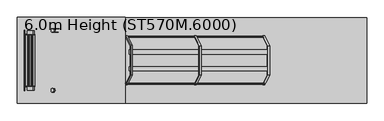
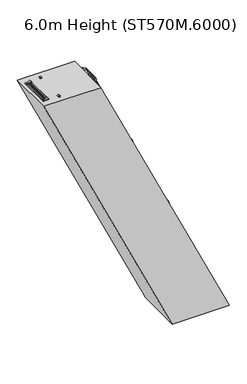
"""IFC4 building model written with IfcOpenShell, lengths in millimetres: proxy geometry, 6.0m Height (ST570M.6000)."""

from ifc_helpers import new_model, si_unit, point, frame, frame_2d, origin, origin_with_axes, place, context, project, spatial, polyline, circle_curve, trimmed, segment, composite_curve, outline, extrude, source, transform, mapped, element, save


def proxy_6_0m_height_st570m_6000_d846a94f(model_context):
    return source(origin(), model_context, "Body", "SweptSolid", [
        extrude(outline(polyline([(5750.0, -171.2609711), (5670.0, -133.9563635), (5670.0, -23.6185665), (5750.0, -60.9231791), (5750.0, -171.2609711)])), frame((0.0, 298.5, 0.0), z_axis=(0.0, 1.0, 0.0), x_axis=(0.0, 0.0, 1.0)), (0.0, 0.0, 1.0), 6.0),
        extrude(outline(polyline([(5750.0, -171.2609711), (5670.0, -133.9563635), (5670.0, -23.6185665), (5750.0, -60.9231791), (5750.0, -171.2609711)])), frame((0.0, -304.5, 0.0), z_axis=(0.0, 1.0, 0.0), x_axis=(0.0, 0.0, 1.0)), (0.0, 0.0, 1.0), 6.0),
        extrude(outline(polyline([(5750.0, -164.0890148), (5712.0999991, -146.4159566), (5712.0999991, -144.2092008), (5747.0, -160.4833363), (5747.0, -61.731012), (5712.0999991, -45.4568743), (5712.0999991, -43.2501185), (5750.0, -60.9231791), (5750.0, -81.3509203), (5749.2749538, -81.6890148), (5750.0, -82.0271094), (5750.0, -101.9509203), (5749.2749538, -102.2890148), (5750.0, -102.6271094), (5750.0, -122.5509203), (5749.2749538, -122.8890148), (5750.0, -123.2271094), (5750.0, -143.1509203), (5749.2749538, -143.4890148), (5750.0, -143.8271094), (5750.0, -164.0890148)])), frame((0.0, -298.5, 0.0), z_axis=(0.0, 1.0, 0.0), x_axis=(0.0, 0.0, 1.0)), (0.0, 0.0, 1.0), 597.0),
        extrude(outline(polyline([(5500.0, -54.6841503), (5420.0, -17.3795427), (5420.0, 92.9582544), (5500.0, 55.6536418), (5500.0, -54.6841503)])), frame((0.0, 298.5, 0.0), z_axis=(0.0, 1.0, 0.0), x_axis=(0.0, 0.0, 1.0)), (0.0, 0.0, 1.0), 6.0),
        extrude(outline(polyline([(5500.0, -54.6841503), (5420.0, -17.3795427), (5420.0, 92.9582544), (5500.0, 55.6536418), (5500.0, -54.6841503)])), frame((0.0, -304.5, 0.0), z_axis=(0.0, 1.0, 0.0), x_axis=(0.0, 0.0, 1.0)), (0.0, 0.0, 1.0), 6.0),
        extrude(outline(polyline([(5500.0, -47.512194), (5462.0999991, -29.8391357), (5462.0999991, -27.6323799), (5497.0, -43.9065154), (5497.0, 54.8458089), (5462.0999991, 71.1199466), (5462.0999991, 73.3267024), (5500.0, 55.6536418), (5500.0, 35.2259006), (5499.2749538, 34.887806), (5500.0, 34.5497115), (5500.0, 14.6259006), (5499.2749538, 14.287806), (5500.0, 13.9497115), (5500.0, -5.9740994), (5499.2749538, -6.312194), (5500.0, -6.6502885), (5500.0, -26.5740994), (5499.2749538, -26.912194), (5500.0, -27.2502885), (5500.0, -47.512194)])), frame((0.0, -298.5, 0.0), z_axis=(0.0, 1.0, 0.0), x_axis=(0.0, 0.0, 1.0)), (0.0, 0.0, 1.0), 597.0),
        extrude(outline(polyline([(5250.0, 61.8926706), (5170.0, 99.1972782), (5170.0, 209.5350753), (5250.0, 172.2304627), (5250.0, 61.8926706)])), frame((0.0, 298.5, 0.0), z_axis=(0.0, 1.0, 0.0), x_axis=(0.0, 0.0, 1.0)), (0.0, 0.0, 1.0), 6.0),
        extrude(outline(polyline([(5250.0, 61.8926706), (5170.0, 99.1972782), (5170.0, 209.5350753), (5250.0, 172.2304627), (5250.0, 61.8926706)])), frame((0.0, -304.5, 0.0), z_axis=(0.0, 1.0, 0.0), x_axis=(0.0, 0.0, 1.0)), (0.0, 0.0, 1.0), 6.0),
        extrude(outline(polyline([(5250.0, 69.0646269), (5212.0999991, 86.7376852), (5212.0999991, 88.944441), (5247.0, 72.6703055), (5247.0, 171.4226298), (5212.0999991, 187.6967675), (5212.0999991, 189.9035233), (5250.0, 172.2304627), (5250.0, 151.8027215), (5249.2749538, 151.4646269), (5250.0, 151.1265324), (5250.0, 131.2027215), (5249.2749538, 130.8646269), (5250.0, 130.5265324), (5250.0, 110.6027215), (5249.2749538, 110.2646269), (5250.0, 109.9265324), (5250.0, 90.0027215), (5249.2749538, 89.6646269), (5250.0, 89.3265324), (5250.0, 69.0646269)])), frame((0.0, -298.5, 0.0), z_axis=(0.0, 1.0, 0.0), x_axis=(0.0, 0.0, 1.0)), (0.0, 0.0, 1.0), 597.0),
        extrude(outline(polyline([(5000.0, 178.4694915), (4920.0, 215.7740991), (4920.0, 326.1118962), (5000.0, 288.8072835), (5000.0, 178.4694915)])), frame((0.0, 298.5, 0.0), z_axis=(0.0, 1.0, 0.0), x_axis=(0.0, 0.0, 1.0)), (0.0, 0.0, 1.0), 6.0),
        extrude(outline(polyline([(5000.0, 178.4694915), (4920.0, 215.7740991), (4920.0, 326.1118962), (5000.0, 288.8072835), (5000.0, 178.4694915)])), frame((0.0, -304.5, 0.0), z_axis=(0.0, 1.0, 0.0), x_axis=(0.0, 0.0, 1.0)), (0.0, 0.0, 1.0), 6.0),
        extrude(outline(polyline([(5000.0, 185.6414478), (4962.0999991, 203.3145061), (4962.0999991, 205.5212618), (4997.0, 189.2471264), (4997.0, 287.9994507), (4962.0999991, 304.2735883), (4962.0999991, 306.4803442), (5000.0, 288.8072835), (5000.0, 268.3795424), (4999.2749538, 268.0414478), (5000.0, 267.7033532), (5000.0, 247.7795424), (4999.2749538, 247.4414478), (5000.0, 247.1033532), (5000.0, 227.1795424), (4999.2749538, 226.8414478), (5000.0, 226.5033532), (5000.0, 206.5795424), (4999.2749538, 206.2414478), (5000.0, 205.9033532), (5000.0, 185.6414478)])), frame((0.0, -298.5, 0.0), z_axis=(0.0, 1.0, 0.0), x_axis=(0.0, 0.0, 1.0)), (0.0, 0.0, 1.0), 597.0),
        extrude(outline(polyline([(4750.0, 295.0463124), (4670.0, 332.35092), (4670.0, 442.6887171), (4750.0, 405.3841044), (4750.0, 295.0463124)])), frame((0.0, 298.5, 0.0), z_axis=(0.0, 1.0, 0.0), x_axis=(0.0, 0.0, 1.0)), (0.0, 0.0, 1.0), 6.0),
        extrude(outline(polyline([(4750.0, 295.0463124), (4670.0, 332.35092), (4670.0, 442.6887171), (4750.0, 405.3841044), (4750.0, 295.0463124)])), frame((0.0, -304.5, 0.0), z_axis=(0.0, 1.0, 0.0), x_axis=(0.0, 0.0, 1.0)), (0.0, 0.0, 1.0), 6.0),
        extrude(outline(polyline([(4750.0, 302.2182687), (4712.0999991, 319.8913269), (4712.0999991, 322.0980827), (4747.0, 305.8239473), (4747.0, 404.5762716), (4712.0999991, 420.8504092), (4712.0999991, 423.0571651), (4750.0, 405.3841044), (4750.0, 384.9563633), (4749.2749538, 384.6182687), (4750.0, 384.2801741), (4750.0, 364.3563633), (4749.2749538, 364.0182687), (4750.0, 363.6801741), (4750.0, 343.7563633), (4749.2749538, 343.4182687), (4750.0, 343.0801741), (4750.0, 323.1563633), (4749.2749538, 322.8182687), (4750.0, 322.4801741), (4750.0, 302.2182687)])), frame((0.0, -298.5, 0.0), z_axis=(0.0, 1.0, 0.0), x_axis=(0.0, 0.0, 1.0)), (0.0, 0.0, 1.0), 597.0),
        extrude(outline(polyline([(4500.0, 411.6231333), (4420.0, 448.9277409), (4420.0, 559.265538), (4500.0, 521.9609253), (4500.0, 411.6231333)])), frame((0.0, 298.5, 0.0), z_axis=(0.0, 1.0, 0.0), x_axis=(0.0, 0.0, 1.0)), (0.0, 0.0, 1.0), 6.0),
        extrude(outline(polyline([(4500.0, 411.6231333), (4420.0, 448.9277409), (4420.0, 559.265538), (4500.0, 521.9609253), (4500.0, 411.6231333)])), frame((0.0, -304.5, 0.0), z_axis=(0.0, 1.0, 0.0), x_axis=(0.0, 0.0, 1.0)), (0.0, 0.0, 1.0), 6.0),
        extrude(outline(polyline([(4500.0, 418.7950896), (4462.0999991, 436.4681478), (4462.0999991, 438.6749036), (4497.0, 422.4007682), (4497.0, 521.1530924), (4462.0999991, 537.4272301), (4462.0999991, 539.6339859), (4500.0, 521.9609253), (4500.0, 501.5331842), (4499.2749538, 501.1950896), (4500.0, 500.856995), (4500.0, 480.9331842), (4499.2749538, 480.5950896), (4500.0, 480.256995), (4500.0, 460.3331842), (4499.2749538, 459.9950896), (4500.0, 459.656995), (4500.0, 439.7331842), (4499.2749538, 439.3950896), (4500.0, 439.056995), (4500.0, 418.7950896)])), frame((0.0, -298.5, 0.0), z_axis=(0.0, 1.0, 0.0), x_axis=(0.0, 0.0, 1.0)), (0.0, 0.0, 1.0), 597.0),
        extrude(outline(polyline([(4250.0, 528.1999542), (4170.0, 565.5045618), (4170.0, 675.8423588), (4250.0, 638.5377462), (4250.0, 528.1999542)])), frame((0.0, 298.5, 0.0), z_axis=(0.0, 1.0, 0.0), x_axis=(0.0, 0.0, 1.0)), (0.0, 0.0, 1.0), 6.0),
        extrude(outline(polyline([(4250.0, 528.1999542), (4170.0, 565.5045618), (4170.0, 675.8423588), (4250.0, 638.5377462), (4250.0, 528.1999542)])), frame((0.0, -304.5, 0.0), z_axis=(0.0, 1.0, 0.0), x_axis=(0.0, 0.0, 1.0)), (0.0, 0.0, 1.0), 6.0),
        extrude(outline(polyline([(4250.0, 535.3719105), (4212.0999991, 553.0449687), (4212.0999991, 555.2517245), (4247.0, 538.977589), (4247.0, 637.7299133), (4212.0999991, 654.004051), (4212.0999991, 656.2108068), (4250.0, 638.5377462), (4250.0, 618.110005), (4249.2749538, 617.7719105), (4250.0, 617.4338159), (4250.0, 597.510005), (4249.2749538, 597.1719105), (4250.0, 596.8338159), (4250.0, 576.910005), (4249.2749538, 576.5719105), (4250.0, 576.2338159), (4250.0, 556.310005), (4249.2749538, 555.9719105), (4250.0, 555.6338159), (4250.0, 535.3719105)])), frame((0.0, -298.5, 0.0), z_axis=(0.0, 1.0, 0.0), x_axis=(0.0, 0.0, 1.0)), (0.0, 0.0, 1.0), 597.0),
        extrude(outline(polyline([(4000.0, 644.7767751), (3920.0, 682.0813827), (3920.0, 792.4191797), (4000.0, 755.1145671), (4000.0, 644.7767751)])), frame((0.0, 298.5, 0.0), z_axis=(0.0, 1.0, 0.0), x_axis=(0.0, 0.0, 1.0)), (0.0, 0.0, 1.0), 6.0),
        extrude(outline(polyline([(4000.0, 644.7767751), (3920.0, 682.0813827), (3920.0, 792.4191797), (4000.0, 755.1145671), (4000.0, 644.7767751)])), frame((0.0, -304.5, 0.0), z_axis=(0.0, 1.0, 0.0), x_axis=(0.0, 0.0, 1.0)), (0.0, 0.0, 1.0), 6.0),
        extrude(outline(polyline([(4000.0, 651.9487314), (3962.0999991, 669.6217896), (3962.0999991, 671.8285454), (3997.0, 655.5544099), (3997.0, 754.3067342), (3962.0999991, 770.5808719), (3962.0999991, 772.7876277), (4000.0, 755.1145671), (4000.0, 734.6868259), (3999.2749538, 734.3487314), (4000.0, 734.0106368), (4000.0, 714.0868259), (3999.2749538, 713.7487314), (4000.0, 713.4106368), (4000.0, 693.4868259), (3999.2749538, 693.1487314), (4000.0, 692.8106368), (4000.0, 672.8868259), (3999.2749538, 672.5487314), (4000.0, 672.2106368), (4000.0, 651.9487314)])), frame((0.0, -298.5, 0.0), z_axis=(0.0, 1.0, 0.0), x_axis=(0.0, 0.0, 1.0)), (0.0, 0.0, 1.0), 597.0),
        extrude(outline(polyline([(3750.0, 761.3535959), (3670.0, 798.6582035), (3670.0, 908.9960006), (3750.0, 871.691388), (3750.0, 761.3535959)])), frame((0.0, 298.5, 0.0), z_axis=(0.0, 1.0, 0.0), x_axis=(0.0, 0.0, 1.0)), (0.0, 0.0, 1.0), 6.0),
        extrude(outline(polyline([(3750.0, 761.3535959), (3670.0, 798.6582035), (3670.0, 908.9960006), (3750.0, 871.691388), (3750.0, 761.3535959)])), frame((0.0, -304.5, 0.0), z_axis=(0.0, 1.0, 0.0), x_axis=(0.0, 0.0, 1.0)), (0.0, 0.0, 1.0), 6.0),
        extrude(outline(polyline([(3750.0, 768.5255522), (3712.0999991, 786.1986105), (3712.0999991, 788.4053663), (3747.0, 772.1312308), (3747.0, 870.8835551), (3712.0999991, 887.1576928), (3712.0999991, 889.3644486), (3750.0, 871.691388), (3750.0, 851.2636468), (3749.2749538, 850.9255522), (3750.0, 850.5874577), (3750.0, 830.6636468), (3749.2749538, 830.3255522), (3750.0, 829.9874577), (3750.0, 810.0636468), (3749.2749538, 809.7255522), (3750.0, 809.3874577), (3750.0, 789.4636468), (3749.2749538, 789.1255522), (3750.0, 788.7874577), (3750.0, 768.5255522)])), frame((0.0, -298.5, 0.0), z_axis=(0.0, 1.0, 0.0), x_axis=(0.0, 0.0, 1.0)), (0.0, 0.0, 1.0), 597.0),
        extrude(outline(polyline([(3500.0, 877.9304168), (3420.0, 915.2350244), (3420.0, 1025.5728215), (3500.0, 988.2682088), (3500.0, 877.9304168)])), frame((0.0, 298.5, 0.0), z_axis=(0.0, 1.0, 0.0), x_axis=(0.0, 0.0, 1.0)), (0.0, 0.0, 1.0), 6.0),
        extrude(outline(polyline([(3500.0, 877.9304168), (3420.0, 915.2350244), (3420.0, 1025.5728215), (3500.0, 988.2682088), (3500.0, 877.9304168)])), frame((0.0, -304.5, 0.0), z_axis=(0.0, 1.0, 0.0), x_axis=(0.0, 0.0, 1.0)), (0.0, 0.0, 1.0), 6.0),
        extrude(outline(polyline([(3500.0, 885.1023731), (3462.0999991, 902.7754314), (3462.0999991, 904.9821872), (3497.0, 888.7080517), (3497.0, 987.460376), (3462.0999991, 1003.7345136), (3462.0999991, 1005.9412695), (3500.0, 988.2682088), (3500.0, 967.8404677), (3499.2749538, 967.5023731), (3500.0, 967.1642785), (3500.0, 947.2404677), (3499.2749538, 946.9023731), (3500.0, 946.5642785), (3500.0, 926.6404677), (3499.2749538, 926.3023731), (3500.0, 925.9642785), (3500.0, 906.0404677), (3499.2749538, 905.7023731), (3500.0, 905.3642785), (3500.0, 885.1023731)])), frame((0.0, -298.5, 0.0), z_axis=(0.0, 1.0, 0.0), x_axis=(0.0, 0.0, 1.0)), (0.0, 0.0, 1.0), 597.0),
        extrude(outline(polyline([(3250.0, 994.5072377), (3170.0, 1031.8118453), (3170.0, 1142.1496424), (3250.0, 1104.8450297), (3250.0, 994.5072377)])), frame((0.0, 298.5, 0.0), z_axis=(0.0, 1.0, 0.0), x_axis=(0.0, 0.0, 1.0)), (0.0, 0.0, 1.0), 6.0),
        extrude(outline(polyline([(3250.0, 994.5072377), (3170.0, 1031.8118453), (3170.0, 1142.1496424), (3250.0, 1104.8450297), (3250.0, 994.5072377)])), frame((0.0, -304.5, 0.0), z_axis=(0.0, 1.0, 0.0), x_axis=(0.0, 0.0, 1.0)), (0.0, 0.0, 1.0), 6.0),
        extrude(outline(polyline([(3250.0, 1001.679194), (3212.0999991, 1019.3522523), (3212.0999991, 1021.559008), (3247.0, 1005.2848726), (3247.0, 1104.0371969), (3212.0999991, 1120.3113345), (3212.0999991, 1122.5180904), (3250.0, 1104.8450297), (3250.0, 1084.4172886), (3249.2749538, 1084.079194), (3250.0, 1083.7410994), (3250.0, 1063.8172886), (3249.2749538, 1063.479194), (3250.0, 1063.1410994), (3250.0, 1043.2172886), (3249.2749538, 1042.879194), (3250.0, 1042.5410994), (3250.0, 1022.6172886), (3249.2749538, 1022.279194), (3250.0, 1021.9410994), (3250.0, 1001.679194)])), frame((0.0, -298.5, 0.0), z_axis=(0.0, 1.0, 0.0), x_axis=(0.0, 0.0, 1.0)), (0.0, 0.0, 1.0), 597.0),
        extrude(outline(polyline([(3000.0, 1111.0840586), (2920.0, 1148.3886662), (2920.0, 1258.7264633), (3000.0, 1221.4218506), (3000.0, 1111.0840586)])), frame((0.0, 298.5, 0.0), z_axis=(0.0, 1.0, 0.0), x_axis=(0.0, 0.0, 1.0)), (0.0, 0.0, 1.0), 6.0),
        extrude(outline(polyline([(3000.0, 1111.0840586), (2920.0, 1148.3886662), (2920.0, 1258.7264633), (3000.0, 1221.4218506), (3000.0, 1111.0840586)])), frame((0.0, -304.5, 0.0), z_axis=(0.0, 1.0, 0.0), x_axis=(0.0, 0.0, 1.0)), (0.0, 0.0, 1.0), 6.0),
        extrude(outline(polyline([(3000.0, 1118.2560149), (2962.0999991, 1135.9290731), (2962.0999991, 1138.1358289), (2997.0, 1121.8616935), (2997.0, 1220.6140177), (2962.0999991, 1236.8881554), (2962.0999991, 1239.0949113), (3000.0, 1221.4218506), (3000.0, 1200.9941095), (2999.2749538, 1200.6560149), (3000.0, 1200.3179203), (3000.0, 1180.3941095), (2999.2749538, 1180.0560149), (3000.0, 1179.7179203), (3000.0, 1159.7941095), (2999.2749538, 1159.4560149), (3000.0, 1159.1179203), (3000.0, 1139.1941095), (2999.2749538, 1138.8560149), (3000.0, 1138.5179203), (3000.0, 1118.2560149)])), frame((0.0, -298.5, 0.0), z_axis=(0.0, 1.0, 0.0), x_axis=(0.0, 0.0, 1.0)), (0.0, 0.0, 1.0), 597.0),
        extrude(outline(polyline([(2750.0, 1227.6608795), (2670.0, 1264.9654871), (2670.0, 1375.3032841), (2750.0, 1337.9986715), (2750.0, 1227.6608795)])), frame((0.0, 298.5, 0.0), z_axis=(0.0, 1.0, 0.0), x_axis=(0.0, 0.0, 1.0)), (0.0, 0.0, 1.0), 6.0),
        extrude(outline(polyline([(2750.0, 1227.6608795), (2670.0, 1264.9654871), (2670.0, 1375.3032841), (2750.0, 1337.9986715), (2750.0, 1227.6608795)])), frame((0.0, -304.5, 0.0), z_axis=(0.0, 1.0, 0.0), x_axis=(0.0, 0.0, 1.0)), (0.0, 0.0, 1.0), 6.0),
        extrude(outline(polyline([(2750.0, 1234.8328358), (2712.0999991, 1252.505894), (2712.0999991, 1254.7126498), (2747.0, 1238.4385143), (2747.0, 1337.1908386), (2712.0999991, 1353.4649763), (2712.0999991, 1355.6717321), (2750.0, 1337.9986715), (2750.0, 1317.5709303), (2749.2749538, 1317.2328358), (2750.0, 1316.8947412), (2750.0, 1296.9709303), (2749.2749538, 1296.6328358), (2750.0, 1296.2947412), (2750.0, 1276.3709303), (2749.2749538, 1276.0328358), (2750.0, 1275.6947412), (2750.0, 1255.7709303), (2749.2749538, 1255.4328358), (2750.0, 1255.0947412), (2750.0, 1234.8328358)])), frame((0.0, -298.5, 0.0), z_axis=(0.0, 1.0, 0.0), x_axis=(0.0, 0.0, 1.0)), (0.0, 0.0, 1.0), 597.0),
        extrude(outline(polyline([(2500.0, 1344.2377004), (2420.0, 1381.542308), (2420.0, 1491.880105), (2500.0, 1454.5754924), (2500.0, 1344.2377004)])), frame((0.0, 298.5, 0.0), z_axis=(0.0, 1.0, 0.0), x_axis=(0.0, 0.0, 1.0)), (0.0, 0.0, 1.0), 6.0),
        extrude(outline(polyline([(2500.0, 1344.2377004), (2420.0, 1381.542308), (2420.0, 1491.880105), (2500.0, 1454.5754924), (2500.0, 1344.2377004)])), frame((0.0, -304.5, 0.0), z_axis=(0.0, 1.0, 0.0), x_axis=(0.0, 0.0, 1.0)), (0.0, 0.0, 1.0), 6.0),
        extrude(outline(polyline([(2500.0, 1351.4096567), (2462.0999991, 1369.0827149), (2462.0999991, 1371.2894707), (2497.0, 1355.0153352), (2497.0, 1453.7676595), (2462.0999991, 1470.0417972), (2462.0999991, 1472.248553), (2500.0, 1454.5754924), (2500.0, 1434.1477512), (2499.2749538, 1433.8096567), (2500.0, 1433.4715621), (2500.0, 1413.5477512), (2499.2749538, 1413.2096567), (2500.0, 1412.8715621), (2500.0, 1392.9477512), (2499.2749538, 1392.6096567), (2500.0, 1392.2715621), (2500.0, 1372.3477512), (2499.2749538, 1372.0096567), (2500.0, 1371.6715621), (2500.0, 1351.4096567)])), frame((0.0, -298.5, 0.0), z_axis=(0.0, 1.0, 0.0), x_axis=(0.0, 0.0, 1.0)), (0.0, 0.0, 1.0), 597.0),
        extrude(outline(polyline([(2250.0, 1460.8145212), (2170.0, 1498.1191288), (2170.0, 1608.4569259), (2250.0, 1571.1523133), (2250.0, 1460.8145212)])), frame((0.0, 298.5, 0.0), z_axis=(0.0, 1.0, 0.0), x_axis=(0.0, 0.0, 1.0)), (0.0, 0.0, 1.0), 6.0),
        extrude(outline(polyline([(2250.0, 1460.8145212), (2170.0, 1498.1191288), (2170.0, 1608.4569259), (2250.0, 1571.1523133), (2250.0, 1460.8145212)])), frame((0.0, -304.5, 0.0), z_axis=(0.0, 1.0, 0.0), x_axis=(0.0, 0.0, 1.0)), (0.0, 0.0, 1.0), 6.0),
        extrude(outline(polyline([(2250.0, 1467.9864775), (2212.0999991, 1485.6595358), (2212.0999991, 1487.8662916), (2247.0, 1471.5921561), (2247.0, 1570.3444804), (2212.0999991, 1586.6186181), (2212.0999991, 1588.8253739), (2250.0, 1571.1523133), (2250.0, 1550.7245721), (2249.2749538, 1550.3864775), (2250.0, 1550.048383), (2250.0, 1530.1245721), (2249.2749538, 1529.7864775), (2250.0, 1529.448383), (2250.0, 1509.5245721), (2249.2749538, 1509.1864775), (2250.0, 1508.848383), (2250.0, 1488.9245721), (2249.2749538, 1488.5864775), (2250.0, 1488.248383), (2250.0, 1467.9864775)])), frame((0.0, -298.5, 0.0), z_axis=(0.0, 1.0, 0.0), x_axis=(0.0, 0.0, 1.0)), (0.0, 0.0, 1.0), 597.0),
        extrude(outline(polyline([(2000.0, 1577.3913421), (1920.0, 1614.6959497), (1920.0, 1725.0337468), (2000.0, 1687.7291341), (2000.0, 1577.3913421)])), frame((0.0, 298.5, 0.0), z_axis=(0.0, 1.0, 0.0), x_axis=(0.0, 0.0, 1.0)), (0.0, 0.0, 1.0), 6.0),
        extrude(outline(polyline([(2000.0, 1577.3913421), (1920.0, 1614.6959497), (1920.0, 1725.0337468), (2000.0, 1687.7291341), (2000.0, 1577.3913421)])), frame((0.0, -304.5, 0.0), z_axis=(0.0, 1.0, 0.0), x_axis=(0.0, 0.0, 1.0)), (0.0, 0.0, 1.0), 6.0),
        extrude(outline(polyline([(2000.0, 1584.5632984), (1962.0999991, 1602.2363567), (1962.0999991, 1604.4431125), (1997.0, 1588.168977), (1997.0, 1686.9213013), (1962.0999991, 1703.195439), (1962.0999991, 1705.4021948), (2000.0, 1687.7291341), (2000.0, 1667.301393), (1999.2749538, 1666.9632984), (2000.0, 1666.6252039), (2000.0, 1646.701393), (1999.2749538, 1646.3632984), (2000.0, 1646.0252039), (2000.0, 1626.101393), (1999.2749538, 1625.7632984), (2000.0, 1625.4252039), (2000.0, 1605.501393), (1999.2749538, 1605.1632984), (2000.0, 1604.8252039), (2000.0, 1584.5632984)])), frame((0.0, -298.5, 0.0), z_axis=(0.0, 1.0, 0.0), x_axis=(0.0, 0.0, 1.0)), (0.0, 0.0, 1.0), 597.0),
        extrude(outline(polyline([(1750.0, 1693.968163), (1670.0, 1731.2727706), (1670.0, 1841.6105677), (1750.0, 1804.305955), (1750.0, 1693.968163)])), frame((0.0, 298.5, 0.0), z_axis=(0.0, 1.0, 0.0), x_axis=(0.0, 0.0, 1.0)), (0.0, 0.0, 1.0), 6.0),
        extrude(outline(polyline([(1750.0, 1693.968163), (1670.0, 1731.2727706), (1670.0, 1841.6105677), (1750.0, 1804.305955), (1750.0, 1693.968163)])), frame((0.0, -304.5, 0.0), z_axis=(0.0, 1.0, 0.0), x_axis=(0.0, 0.0, 1.0)), (0.0, 0.0, 1.0), 6.0),
        extrude(outline(polyline([(1750.0, 1701.1401193), (1712.0999991, 1718.8131776), (1712.0999991, 1721.0199333), (1747.0, 1704.7457979), (1747.0, 1803.4981222), (1712.0999991, 1819.7722598), (1712.0999991, 1821.9790157), (1750.0, 1804.305955), (1750.0, 1783.8782139), (1749.2749538, 1783.5401193), (1750.0, 1783.2020247), (1750.0, 1763.2782139), (1749.2749538, 1762.9401193), (1750.0, 1762.6020247), (1750.0, 1742.6782139), (1749.2749538, 1742.3401193), (1750.0, 1742.0020247), (1750.0, 1722.0782139), (1749.2749538, 1721.7401193), (1750.0, 1721.4020247), (1750.0, 1701.1401193)])), frame((0.0, -298.5, 0.0), z_axis=(0.0, 1.0, 0.0), x_axis=(0.0, 0.0, 1.0)), (0.0, 0.0, 1.0), 597.0),
        extrude(outline(polyline([(1500.0, 1810.5449839), (1420.0, 1847.8495915), (1420.0, 1958.1873886), (1500.0, 1920.8827759), (1500.0, 1810.5449839)])), frame((0.0, 298.5, 0.0), z_axis=(0.0, 1.0, 0.0), x_axis=(0.0, 0.0, 1.0)), (0.0, 0.0, 1.0), 6.0),
        extrude(outline(polyline([(1500.0, 1810.5449839), (1420.0, 1847.8495915), (1420.0, 1958.1873886), (1500.0, 1920.8827759), (1500.0, 1810.5449839)])), frame((0.0, -304.5, 0.0), z_axis=(0.0, 1.0, 0.0), x_axis=(0.0, 0.0, 1.0)), (0.0, 0.0, 1.0), 6.0),
        extrude(outline(polyline([(1500.0, 1817.7169402), (1462.0999991, 1835.3899984), (1462.0999991, 1837.5967542), (1497.0, 1821.3226188), (1497.0, 1920.0749431), (1462.0999991, 1936.3490807), (1462.0999991, 1938.5558366), (1500.0, 1920.8827759), (1500.0, 1900.4550348), (1499.2749538, 1900.1169402), (1500.0, 1899.7788456), (1500.0, 1879.8550348), (1499.2749538, 1879.5169402), (1500.0, 1879.1788456), (1500.0, 1859.2550348), (1499.2749538, 1858.9169402), (1500.0, 1858.5788456), (1500.0, 1838.6550348), (1499.2749538, 1838.3169402), (1500.0, 1837.9788456), (1500.0, 1817.7169402)])), frame((0.0, -298.5, 0.0), z_axis=(0.0, 1.0, 0.0), x_axis=(0.0, 0.0, 1.0)), (0.0, 0.0, 1.0), 597.0),
        extrude(outline(polyline([(1250.0, 1927.1218048), (1170.0, 1964.4264124), (1170.0, 2074.7642095), (1250.0, 2037.4595968), (1250.0, 1927.1218048)])), frame((0.0, 298.5, 0.0), z_axis=(0.0, 1.0, 0.0), x_axis=(0.0, 0.0, 1.0)), (0.0, 0.0, 1.0), 6.0),
        extrude(outline(polyline([(1250.0, 1927.1218048), (1170.0, 1964.4264124), (1170.0, 2074.7642095), (1250.0, 2037.4595968), (1250.0, 1927.1218048)])), frame((0.0, -304.5, 0.0), z_axis=(0.0, 1.0, 0.0), x_axis=(0.0, 0.0, 1.0)), (0.0, 0.0, 1.0), 6.0),
        extrude(outline(polyline([(1250.0, 1934.2937611), (1212.0999991, 1951.9668193), (1212.0999991, 1954.1735751), (1247.0, 1937.8994396), (1247.0, 2036.6517639), (1212.0999991, 2052.9259016), (1212.0999991, 2055.1326574), (1250.0, 2037.4595968), (1250.0, 2017.0318557), (1249.2749538, 2016.6937611), (1250.0, 2016.3556665), (1250.0, 1996.4318557), (1249.2749538, 1996.0937611), (1250.0, 1995.7556665), (1250.0, 1975.8318557), (1249.2749538, 1975.4937611), (1250.0, 1975.1556665), (1250.0, 1955.2318557), (1249.2749538, 1954.8937611), (1250.0, 1954.5556665), (1250.0, 1934.2937611)])), frame((0.0, -298.5, 0.0), z_axis=(0.0, 1.0, 0.0), x_axis=(0.0, 0.0, 1.0)), (0.0, 0.0, 1.0), 597.0),
        extrude(outline(polyline([(1000.0, 2043.6986257), (920.0, 2081.0032333), (920.0, 2191.3410303), (1000.0, 2154.0364177), (1000.0, 2043.6986257)])), frame((0.0, 298.5, 0.0), z_axis=(0.0, 1.0, 0.0), x_axis=(0.0, 0.0, 1.0)), (0.0, 0.0, 1.0), 6.0),
        extrude(outline(polyline([(1000.0, 2043.6986257), (920.0, 2081.0032333), (920.0, 2191.3410303), (1000.0, 2154.0364177), (1000.0, 2043.6986257)])), frame((0.0, -304.5, 0.0), z_axis=(0.0, 1.0, 0.0), x_axis=(0.0, 0.0, 1.0)), (0.0, 0.0, 1.0), 6.0),
        extrude(outline(polyline([(1000.0, 2050.870582), (962.0999991, 2068.5436402), (962.0999991, 2070.750396), (997.0, 2054.4762605), (997.0, 2153.2285848), (962.0999991, 2169.5027225), (962.0999991, 2171.7094783), (1000.0, 2154.0364177), (1000.0, 2133.6086765), (999.2749538, 2133.270582), (1000.0, 2132.9324874), (1000.0, 2113.0086765), (999.2749538, 2112.670582), (1000.0, 2112.3324874), (1000.0, 2092.4086765), (999.2749538, 2092.070582), (1000.0, 2091.7324874), (1000.0, 2071.8086765), (999.2749538, 2071.470582), (1000.0, 2071.1324874), (1000.0, 2050.870582)])), frame((0.0, -298.5, 0.0), z_axis=(0.0, 1.0, 0.0), x_axis=(0.0, 0.0, 1.0)), (0.0, 0.0, 1.0), 597.0),
        extrude(outline(polyline([(750.0, 2160.2754465), (670.0, 2197.5800541), (670.0, 2307.9178512), (750.0, 2270.6132386), (750.0, 2160.2754465)])), frame((0.0, 298.5, 0.0), z_axis=(0.0, 1.0, 0.0), x_axis=(0.0, 0.0, 1.0)), (0.0, 0.0, 1.0), 6.0),
        extrude(outline(polyline([(750.0, 2160.2754465), (670.0, 2197.5800541), (670.0, 2307.9178512), (750.0, 2270.6132386), (750.0, 2160.2754465)])), frame((0.0, -304.5, 0.0), z_axis=(0.0, 1.0, 0.0), x_axis=(0.0, 0.0, 1.0)), (0.0, 0.0, 1.0), 6.0),
        extrude(outline(polyline([(750.0, 2167.4474028), (712.0999991, 2185.1204611), (712.0999991, 2187.3272169), (747.0, 2171.0530814), (747.0, 2269.8054057), (712.0999991, 2286.0795434), (712.0999991, 2288.2862992), (750.0, 2270.6132386), (750.0, 2250.1854974), (749.2749538, 2249.8474028), (750.0, 2249.5093083), (750.0, 2229.5854974), (749.2749538, 2229.2474028), (750.0, 2228.9093083), (750.0, 2208.9854974), (749.2749538, 2208.6474028), (750.0, 2208.3093083), (750.0, 2188.3854974), (749.2749538, 2188.0474028), (750.0, 2187.7093083), (750.0, 2167.4474028)])), frame((0.0, -298.5, 0.0), z_axis=(0.0, 1.0, 0.0), x_axis=(0.0, 0.0, 1.0)), (0.0, 0.0, 1.0), 597.0),
        extrude(outline(polyline([(500.0, 2276.8522674), (420.0, 2314.156875), (420.0, 2424.4946721), (500.0, 2387.1900595), (500.0, 2276.8522674)])), frame((0.0, 298.5, 0.0), z_axis=(0.0, 1.0, 0.0), x_axis=(0.0, 0.0, 1.0)), (0.0, 0.0, 1.0), 6.0),
        extrude(outline(polyline([(500.0, 2276.8522674), (420.0, 2314.156875), (420.0, 2424.4946721), (500.0, 2387.1900595), (500.0, 2276.8522674)])), frame((0.0, -304.5, 0.0), z_axis=(0.0, 1.0, 0.0), x_axis=(0.0, 0.0, 1.0)), (0.0, 0.0, 1.0), 6.0),
        extrude(outline(polyline([(500.0, 2284.0242237), (462.0999991, 2301.697282), (462.0999991, 2303.9040378), (497.0, 2287.6299023), (497.0, 2386.3822266), (462.0999991, 2402.6563643), (462.0999991, 2404.8631201), (500.0, 2387.1900595), (500.0, 2366.7623183), (499.2749538, 2366.4242237), (500.0, 2366.0861292), (500.0, 2346.1623183), (499.2749538, 2345.8242237), (500.0, 2345.4861292), (500.0, 2325.5623183), (499.2749538, 2325.2242237), (500.0, 2324.8861292), (500.0, 2304.9623183), (499.2749538, 2304.6242237), (500.0, 2304.2861292), (500.0, 2284.0242237)])), frame((0.0, -298.5, 0.0), z_axis=(0.0, 1.0, 0.0), x_axis=(0.0, 0.0, 1.0)), (0.0, 0.0, 1.0), 597.0),
        extrude(outline(polyline([(1576.68557, 296.0), (1582.68557, 296.0), (1582.68557, 246.0), (1576.68557, 246.0), (1576.68557, 296.0)])), frame((0.0, 0.0, 1937.9937046), z_axis=(0.0, 0.0, 1.0), x_axis=(1.0, 0.0, 0.0)), (0.0, 0.0, 1.0), 120.0),
        extrude(outline(polyline([(1999.9937046, 1687.7314142), (2057.9937046, 1660.68557), (2057.9937046, 1582.68557), (1999.9937046, 1582.68557), (1999.9937046, 1687.7314142)])), frame((0.0, 252.0, 0.0), z_axis=(0.0, 1.0, 0.0), x_axis=(0.0, 0.0, 1.0)), (0.0, 0.0, 1.0), 38.0),
        extrude(outline(polyline([(1582.68557, -296.0), (1576.68557, -296.0), (1576.68557, -246.0), (1582.68557, -246.0), (1582.68557, -296.0)])), frame((0.0, 0.0, 1937.9937046), z_axis=(0.0, 0.0, 1.0), x_axis=(1.0, 0.0, 0.0)), (0.0, 0.0, 1.0), 120.0),
        extrude(outline(polyline([(1999.9937046, 1687.7314142), (2057.9937046, 1660.68557), (2057.9937046, 1582.68557), (1999.9937046, 1582.68557), (1999.9937046, 1687.7314142)])), frame((0.0, -290.0, 0.0), z_axis=(0.0, 1.0, 0.0), x_axis=(0.0, 0.0, 1.0)), (0.0, 0.0, 1.0), 38.0),
        extrude(outline(polyline([(0.0, -590.0), (0.0, 0.0), (2.0, 0.0), (2.0, -590.0), (0.0, -590.0)])), frame((2641.4896965, -295.0, 49.300531), z_axis=(-0.42261826174071165, 0.0, 0.9063077870366443), x_axis=(-0.9063077870366443, 0.0, -0.42261826174071165)), (0.0, 0.0, 1.0), 2240.0),
        extrude(outline(polyline([(2250.0, 0.0), (2250.0, -600.0), (0.0, -600.0), (0.0, 0.0), (2250.0, 0.0)]), holes=[polyline([(1096.0, -58.0), (58.0, -58.0), (58.0, -542.0), (1096.0, -542.0), (1096.0, -58.0)]), polyline([(1153.9999999, -542.0), (2192.0, -542.0), (2192.0, -58.0), (1153.9999999, -58.0), (1153.9999999, -542.0)])]), frame((1656.4593874, 300.0, 2067.0567824), z_axis=(0.9063077870366443, 0.0, 0.42261826174071165), x_axis=(0.42261826174071165, 0.0, -0.9063077870366443)), (0.0, 0.0, 1.0), 38.0),
        extrude(outline(polyline([(0.0, 0.0), (79.9999999, 0.0), (79.9999999, -6.0), (6.0, -6.0), (6.0, -50.0), (0.0, -50.0), (0.0, 0.0)])), frame((2539.7315544, 343.0, 172.8735075), z_axis=(-0.42261826174071165, 0.0, 0.9063077870366443), x_axis=(-0.9063077870366443, 0.0, -0.42261826174071165)), (0.0, 0.0, 1.0), 50.0),
        extrude(outline(polyline([(0.0, 686.0), (0.0, 736.0), (6.0, 736.0), (6.0, 692.0), (79.9999999, 692.0), (79.9999999, 686.0), (0.0, 686.0)])), frame((2539.7315544, 343.0, 172.8735075), z_axis=(-0.42261826174071165, 0.0, 0.9063077870366443), x_axis=(-0.9063077870366443, 0.0, -0.42261826174071165)), (0.0, 0.0, 1.0), 50.0),
        extrude(outline(polyline([(-100.0, 0.0), (0.0, 0.0), (0.0, -50.0), (-6.0, -50.0), (-6.0, -6.0000001), (-100.0, -6.0000001), (-100.0, 0.0)])), frame((2539.7315544, -300.0, 172.8735075), z_axis=(-0.42261826174071165, 0.0, 0.9063077870366443), x_axis=(0.0, 1.0, 0.0)), (0.0, 0.0, 1.0), 50.0),
        extrude(outline(polyline([(700.0, 0.0), (700.0, -6.0000001), (606.0, -6.0000001), (606.0, -50.0), (600.0, -50.0), (600.0, 0.0), (700.0, 0.0)])), frame((2539.7315544, -300.0, 172.8735075), z_axis=(-0.42261826174071165, 0.0, 0.9063077870366443), x_axis=(0.0, 1.0, 0.0)), (0.0, 0.0, 1.0), 50.0),
        extrude(outline(polyline([(1117.384258, 2143.434075), (1131.778934, 2189.6838675), (1037.5229241, 2233.6361667), (1011.3462469, 2192.8804116), (988.6885523, 2203.4458682), (992.9147349, 2212.5089461), (1007.4156595, 2205.7470539), (1033.5923367, 2246.5028089), (1144.1618867, 2194.943381), (1129.7672107, 2148.6935885), (1144.2681353, 2141.9316963), (1140.0419527, 2132.8686185), (1117.384258, 2143.434075)])), frame((0.0, 201.0, 0.0), z_axis=(0.0, 1.0, 0.0), x_axis=(0.0, 0.0, 1.0)), (0.0, 0.0, 1.0), 44.0),
        extrude(outline(polyline([(1117.384258, 2143.434075), (1131.778934, 2189.6838675), (1037.5229241, 2233.6361667), (1011.3462469, 2192.8804116), (988.6885523, 2203.4458682), (992.9147349, 2212.5089461), (1007.4156595, 2205.7470539), (1033.5923367, 2246.5028089), (1144.1618867, 2194.943381), (1129.7672107, 2148.6935885), (1144.2681353, 2141.9316963), (1140.0419527, 2132.8686185), (1117.384258, 2143.434075)])), frame((0.0, -245.0, 0.0), z_axis=(0.0, 1.0, 0.0), x_axis=(0.0, 0.0, 1.0)), (0.0, 0.0, 1.0), 44.0),
        extrude(outline(polyline([(-6.0, 0.0), (0.0, 0.0), (0.0, -77.584026), (99.0, -180.584026), (99.0, -827.0), (-1.0, -995.0), (-176.0, -1095.0), (-522.0, -1095.0), (-697.0, -995.0), (-797.0, -827.0), (-797.0, -180.584026), (-698.0, -77.584026), (-698.0, 0.0), (-692.0, 0.0), (-692.0, -80.0), (-791.0, -183.0), (-791.0, -825.4066134), (-692.6024049, -990.6024049), (-520.4066134, -1089.0), (-177.5933866, -1089.0), (-5.3975951, -990.6024049), (93.0, -825.4066134), (93.0, -183.0), (-6.0, -80.0), (-6.0, 0.0)])), frame((757.6344765, 349.0, 3805.2968975), z_axis=(-0.42261826174071165, 0.0, 0.9063077870366443), x_axis=(0.0, 1.0, 0.0)), (0.0, 0.0, 1.0), 50.0),
        extrude(outline(polyline([(-6.0, 0.0), (0.0, 0.0), (0.0, -77.584026), (99.0, -180.584026), (99.0, -827.0), (-1.0, -995.0), (-176.0, -1095.0), (-522.0, -1095.0), (-697.0, -995.0), (-797.0, -827.0), (-797.0, -180.584026), (-698.0, -77.584026), (-698.0, 0.0), (-692.0, 0.0), (-692.0, -80.0), (-791.0, -183.0000001), (-791.0, -825.4066134), (-692.6024049, -990.6024049), (-520.4066134, -1089.0), (-177.5933866, -1089.0), (-5.3975951, -990.6024049), (93.0, -825.4066134), (93.0, -183.0000001), (-6.0, -80.0), (-6.0, 0.0)])), frame((1552.8274792, 349.0, 2100.0), z_axis=(-0.42261826174071165, 0.0, 0.9063077870366443), x_axis=(0.0, 1.0, 0.0)), (0.0, 0.0, 1.0), 50.0),
        extrude(outline(polyline([(0.0, 0.0), (50.0, 0.0), (50.0, -12.0), (0.0, -12.0), (0.0, 0.0)])), frame((1968.8227535, 430.0, 2293.9817821), z_axis=(-0.42261826174071165, 0.0, 0.9063077870366443), x_axis=(-0.9063077870366443, 0.0, -0.42261826174071165)), (0.0, 0.0, 1.0), 3813.173884),
        extrude(outline(polyline([(-210.0, 0.0), (-160.0, 0.0), (-160.0, -12.0), (-210.0, -12.0), (-210.0, 0.0)])), frame((1968.8227535, 430.0, 2293.9817821), z_axis=(-0.42261826174071165, 0.0, 0.9063077870366443), x_axis=(-0.9063077870366443, 0.0, -0.42261826174071165)), (0.0, 0.0, 1.0), 3813.173884),
        extrude(outline(polyline([(-630.0, 357.5), (-618.0, 357.5), (-618.0, 307.5), (-630.0, 307.5), (-630.0, 357.5)])), frame((1968.8227535, 430.0, 2293.9817821), z_axis=(-0.42261826174071165, 0.0, 0.9063077870366443), x_axis=(-0.9063077870366443, 0.0, -0.42261826174071165)), (0.0, 0.0, 1.0), 3813.173884),
        extrude(outline(polyline([(-630.0, 552.5), (-618.0, 552.5), (-618.0, 502.5), (-630.0, 502.5), (-630.0, 552.5)])), frame((1968.8227535, 430.0, 2293.9817821), z_axis=(-0.42261826174071165, 0.0, 0.9063077870366443), x_axis=(-0.9063077870366443, 0.0, -0.42261826174071165)), (0.0, 0.0, 1.0), 3813.173884),
        extrude(outline(polyline([(-210.0, 872.0), (-160.0, 872.0), (-160.0, 860.0), (-210.0, 860.0), (-210.0, 872.0)])), frame((1968.8227535, 430.0, 2293.9817821), z_axis=(-0.42261826174071165, 0.0, 0.9063077870366443), x_axis=(-0.9063077870366443, 0.0, -0.42261826174071165)), (0.0, 0.0, 1.0), 3813.173884),
        extrude(outline(polyline([(0.0, 872.0), (50.0, 872.0), (50.0, 860.0), (0.0, 860.0), (0.0, 872.0)])), frame((1968.8227535, 430.0, 2293.9817821), z_axis=(-0.42261826174071165, 0.0, 0.9063077870366443), x_axis=(-0.9063077870366443, 0.0, -0.42261826174071165)), (0.0, 0.0, 1.0), 3813.173884),
        extrude(outline(polyline([(-416.178252, 29.5287957), (-373.2212406, 3.9417841), (-379.3621234, -6.3678986), (-422.3191348, 19.2191129), (-416.178252, 29.5287957)])), frame((1968.8227535, 430.0, 2293.9817821), z_axis=(-0.42261826174071165, 0.0, 0.9063077870366443), x_axis=(-0.9063077870366443, 0.0, -0.42261826174071165)), (0.0, 0.0, 1.0), 3813.173884),
        extrude(outline(polyline([(-578.1954412, 161.8104088), (-567.7765236, 167.7640761), (-542.9695766, 124.351919), (-553.3884944, 118.3982517), (-578.1954412, 161.8104088)])), frame((1968.8227535, 430.0, 2293.9817821), z_axis=(-0.42261826174071165, 0.0, 0.9063077870366443), x_axis=(-0.9063077870366443, 0.0, -0.42261826174071165)), (0.0, 0.0, 1.0), 3813.173884),
        extrude(outline(polyline([(-416.178252, 830.4712043), (-422.3191348, 840.7808871), (-379.3621234, 866.3678986), (-373.2212406, 856.0582159), (-416.178252, 830.4712043)])), frame((1968.8227535, 430.0, 2293.9817821), z_axis=(-0.42261826174071165, 0.0, 0.9063077870366443), x_axis=(-0.9063077870366443, 0.0, -0.42261826174071165)), (0.0, 0.0, 1.0), 3813.173884),
        extrude(outline(polyline([(-578.1954412, 698.1895912), (-553.3884944, 741.6017483), (-542.9695766, 735.648081), (-567.7765236, 692.2359239), (-578.1954412, 698.1895912)])), frame((1968.8227535, 430.0, 2293.9817821), z_axis=(-0.42261826174071165, 0.0, 0.9063077870366443), x_axis=(-0.9063077870366443, 0.0, -0.42261826174071165)), (0.0, 0.0, 1.0), 3813.173884),
        extrude(outline(polyline([(-6.0, 0.0), (0.0, 0.0), (0.0, -77.584026), (99.0, -180.5840259), (99.0, -827.0), (-1.0, -995.0), (-176.0, -1095.0), (-522.0, -1095.0), (-697.0, -995.0), (-797.0, -827.0), (-797.0, -180.5840259), (-698.0, -77.584026), (-698.0, 0.0), (-692.0, 0.0), (-692.0, -79.9999999), (-791.0, -183.0), (-791.0, -825.4066133), (-692.6024049, -990.6024049), (-520.4066134, -1089.0), (-177.5933866, -1089.0), (-5.3975951, -990.6024049), (93.0, -825.4066133), (93.0, -183.0), (-6.0, -79.9999999), (-6.0, 0.0)])), frame((-37.5585262, 349.0, 5510.593795), z_axis=(-0.42261826174071165, 0.0, 0.9063077870366443), x_axis=(0.0, 1.0, 0.0)), (0.0, 0.0, 1.0), 50.0),
        extrude(outline(polyline([(0.0, -32.0), (0.0, 0.0), (3.0, 0.0), (3.0, -32.0), (0.0, -32.0)])), frame((1213.6521394, 331.0, 3441.3931744), z_axis=(-0.42261826174071165, 0.0, 0.9063077870366443), x_axis=(-0.9063077870366443, 0.0, -0.42261826174071165)), (0.0, 0.0, 1.0), 140.0),
        extrude(outline(polyline([(0.0, -32.0), (0.0, 0.0), (3.0, 0.0), (3.0, -32.0), (0.0, -32.0)])), frame((2326.8781345, 331.0, 1054.0723238), z_axis=(-0.42261826174071165, 0.0, 0.9063077870366443), x_axis=(-0.9063077870366443, 0.0, -0.42261826174071165)), (0.0, 0.0, 1.0), 140.0),
        extrude(outline(polyline([(0.0, -32.0), (0.0, 0.0), (3.0, 0.0), (3.0, -32.0), (0.0, -32.0)])), frame((100.4261443, 331.0, 5828.7140249), z_axis=(-0.42261826174071165, 0.0, 0.9063077870366443), x_axis=(-0.9063077870366443, 0.0, -0.42261826174071165)), (0.0, 0.0, 1.0), 140.0),
        extrude(outline(composite_curve([segment(polyline([(3467.3145532, 1198.2546682), (3539.8191762, 1164.4452072), (3435.4324655, 940.5871839)]), True, "CONTINUOUS"), segment(trimmed(circle_curve(frame_2d((3429.9946188, 943.1228934)), 6.0), [point((3435.4324655, 940.5871839))], [point((3427.4589092, 937.6850467))], False, "CARTESIAN"), True, "CONTINUOUS"), segment(polyline([(3427.4589092, 937.6850467), (3365.8299797, 966.4230885)]), True, "CONTINUOUS"), segment(trimmed(circle_curve(frame_2d((3368.3656893, 971.8609352)), 6.0), [point((3365.8299797, 966.4230885))], [point((3362.9278425, 974.3966448))], False, "CARTESIAN"), True, "CONTINUOUS"), segment(polyline([(3362.9278425, 974.3966448), (3467.3145532, 1198.2546682)]), True, "CONTINUOUS")], self_intersect=False)), frame((0.0, 344.0, 0.0), z_axis=(0.0, 1.0, 0.0), x_axis=(0.0, 0.0, 1.0)), (0.0, 0.0, 1.0), 6.0),
        extrude(outline(composite_curve([segment(polyline([(1079.9937026, 2311.4806633), (1152.4983256, 2277.6712023), (1048.1116149, 2053.8131789)]), True, "CONTINUOUS"), segment(trimmed(circle_curve(frame_2d((1042.6737682, 2056.3488885)), 6.0), [point((1048.1116149, 2053.8131789))], [point((1040.1380586, 2050.9110418))], False, "CARTESIAN"), True, "CONTINUOUS"), segment(polyline([(1040.1380586, 2050.9110418), (978.5091291, 2079.6490836)]), True, "CONTINUOUS"), segment(trimmed(circle_curve(frame_2d((981.0448387, 2085.0869303)), 6.0), [point((978.5091291, 2079.6490836))], [point((975.606992, 2087.6226399))], False, "CARTESIAN"), True, "CONTINUOUS"), segment(polyline([(975.606992, 2087.6226399), (1079.9937026, 2311.4806633)]), True, "CONTINUOUS")], self_intersect=False)), frame((0.0, 344.0, 0.0), z_axis=(0.0, 1.0, 0.0), x_axis=(0.0, 0.0, 1.0)), (0.0, 0.0, 1.0), 6.0),
        extrude(outline(composite_curve([segment(polyline([(5854.6354038, 85.0286731), (5927.1400267, 51.2192122), (5822.7533161, -172.6388112)]), True, "CONTINUOUS"), segment(trimmed(circle_curve(frame_2d((5817.3154694, -170.1031017)), 6.0), [point((5822.7533161, -172.6388112))], [point((5814.7797598, -175.5409484))], False, "CARTESIAN"), True, "CONTINUOUS"), segment(polyline([(5814.7797598, -175.5409484), (5753.1508303, -146.8029066)]), True, "CONTINUOUS"), segment(trimmed(circle_curve(frame_2d((5755.6865398, -141.3650599)), 6.0), [point((5753.1508303, -146.8029066))], [point((5750.2486931, -138.8293503))], False, "CARTESIAN"), True, "CONTINUOUS"), segment(polyline([(5750.2486931, -138.8293503), (5854.6354038, 85.0286731)]), True, "CONTINUOUS")], self_intersect=False)), frame((0.0, 344.0, 0.0), z_axis=(0.0, 1.0, 0.0), x_axis=(0.0, 0.0, 1.0)), (0.0, 0.0, 1.0), 6.0),
        extrude(outline(composite_curve([segment(trimmed(circle_curve(frame_2d((0.0, 14.189404)), 22.4521533), [point((-17.4, 0.0))], [point((17.4, 0.0))], False, "CARTESIAN"), True, "CONTINUOUS"), segment(polyline([(17.4, 0.0), (-17.4, 0.0)]), True, "CONTINUOUS")], self_intersect=False)), frame((2398.723239, 347.0, 900.0), z_axis=(-0.42261826174071165, 0.0, 0.9063077870366443), x_axis=(0.0, -1.0, 0.0)), (0.0, 0.0, 1.0), 5638.234224),
        extrude(outline(polyline([(0.0, -32.0), (0.0, 0.0), (3.0, 0.0), (3.0, -32.0), (0.0, -32.0)])), frame((1213.6521394, -363.0, 3441.3931744), z_axis=(-0.42261826174071165, 0.0, 0.9063077870366443), x_axis=(-0.9063077870366443, 0.0, -0.42261826174071165)), (0.0, 0.0, 1.0), 140.0),
        extrude(outline(polyline([(0.0, -32.0), (0.0, 0.0), (3.0, 0.0), (3.0, -32.0), (0.0, -32.0)])), frame((2326.8781345, -363.0, 1054.0723238), z_axis=(-0.42261826174071165, 0.0, 0.9063077870366443), x_axis=(-0.9063077870366443, 0.0, -0.42261826174071165)), (0.0, 0.0, 1.0), 140.0),
        extrude(outline(polyline([(0.0, -32.0), (0.0, 0.0), (3.0, 0.0), (3.0, -32.0), (0.0, -32.0)])), frame((100.4261443, -363.0, 5828.7140249), z_axis=(-0.42261826174071165, 0.0, 0.9063077870366443), x_axis=(-0.9063077870366443, 0.0, -0.42261826174071165)), (0.0, 0.0, 1.0), 140.0),
        extrude(outline(composite_curve([segment(polyline([(3467.3145532, 1198.2546682), (3539.8191762, 1164.4452072), (3435.4324655, 940.5871839)]), True, "CONTINUOUS"), segment(trimmed(circle_curve(frame_2d((3429.9946188, 943.1228934)), 6.0), [point((3435.4324655, 940.5871839))], [point((3427.4589092, 937.6850467))], False, "CARTESIAN"), True, "CONTINUOUS"), segment(polyline([(3427.4589092, 937.6850467), (3365.8299797, 966.4230885)]), True, "CONTINUOUS"), segment(trimmed(circle_curve(frame_2d((3368.3656893, 971.8609352)), 6.0), [point((3365.8299797, 966.4230885))], [point((3362.9278425, 974.3966448))], False, "CARTESIAN"), True, "CONTINUOUS"), segment(polyline([(3362.9278425, 974.3966448), (3467.3145532, 1198.2546682)]), True, "CONTINUOUS")], self_intersect=False)), frame((0.0, -350.0, 0.0), z_axis=(0.0, 1.0, 0.0), x_axis=(0.0, 0.0, 1.0)), (0.0, 0.0, 1.0), 6.0),
        extrude(outline(composite_curve([segment(polyline([(1079.9937026, 2311.4806633), (1152.4983256, 2277.6712023), (1048.1116149, 2053.8131789)]), True, "CONTINUOUS"), segment(trimmed(circle_curve(frame_2d((1042.6737682, 2056.3488885)), 6.0), [point((1048.1116149, 2053.8131789))], [point((1040.1380586, 2050.9110418))], False, "CARTESIAN"), True, "CONTINUOUS"), segment(polyline([(1040.1380586, 2050.9110418), (978.5091291, 2079.6490836)]), True, "CONTINUOUS"), segment(trimmed(circle_curve(frame_2d((981.0448387, 2085.0869303)), 6.0), [point((978.5091291, 2079.6490836))], [point((975.606992, 2087.6226399))], False, "CARTESIAN"), True, "CONTINUOUS"), segment(polyline([(975.606992, 2087.6226399), (1079.9937026, 2311.4806633)]), True, "CONTINUOUS")], self_intersect=False)), frame((0.0, -350.0, 0.0), z_axis=(0.0, 1.0, 0.0), x_axis=(0.0, 0.0, 1.0)), (0.0, 0.0, 1.0), 6.0),
        extrude(outline(composite_curve([segment(polyline([(5854.6354038, 85.0286731), (5927.1400267, 51.2192122), (5822.7533161, -172.6388112)]), True, "CONTINUOUS"), segment(trimmed(circle_curve(frame_2d((5817.3154694, -170.1031017)), 6.0), [point((5822.7533161, -172.6388112))], [point((5814.7797598, -175.5409484))], False, "CARTESIAN"), True, "CONTINUOUS"), segment(polyline([(5814.7797598, -175.5409484), (5753.1508303, -146.8029066)]), True, "CONTINUOUS"), segment(trimmed(circle_curve(frame_2d((5755.6865398, -141.3650599)), 6.0), [point((5753.1508303, -146.8029066))], [point((5750.2486931, -138.8293503))], False, "CARTESIAN"), True, "CONTINUOUS"), segment(polyline([(5750.2486931, -138.8293503), (5854.6354038, 85.0286731)]), True, "CONTINUOUS")], self_intersect=False)), frame((0.0, -350.0, 0.0), z_axis=(0.0, 1.0, 0.0), x_axis=(0.0, 0.0, 1.0)), (0.0, 0.0, 1.0), 6.0),
        extrude(outline(composite_curve([segment(trimmed(circle_curve(frame_2d((0.0, 14.189404)), 22.4521533), [point((-17.4, 0.0))], [point((17.4, 0.0))], False, "CARTESIAN"), True, "CONTINUOUS"), segment(polyline([(17.4, 0.0), (-17.4, 0.0)]), True, "CONTINUOUS")], self_intersect=False)), frame((2398.723239, -347.0, 900.0), z_axis=(-0.42261826174071165, 0.0, 0.9063077870366443), x_axis=(0.0, -1.0, 0.0)), (0.0, 0.0, 1.0), 5638.234224),
        extrude(outline(polyline([(6000.0, -287.837792), (5920.0, -250.5331844), (5920.0, -140.1953873), (6000.0, -177.5), (6000.0, -287.837792)])), frame((0.0, 298.5, 0.0), z_axis=(0.0, 1.0, 0.0), x_axis=(0.0, 0.0, 1.0)), (0.0, 0.0, 1.0), 6.0),
        extrude(outline(polyline([(6000.0, -287.837792), (5920.0, -250.5331844), (5920.0, -140.1953873), (6000.0, -177.5), (6000.0, -287.837792)])), frame((0.0, -304.5, 0.0), z_axis=(0.0, 1.0, 0.0), x_axis=(0.0, 0.0, 1.0)), (0.0, 0.0, 1.0), 6.0),
        extrude(outline(polyline([(6000.0, -280.6658357), (5962.0999991, -262.9927775), (5962.0999991, -260.7860217), (5997.0, -277.0601572), (5997.0, -178.3078329), (5962.0999991, -162.0336952), (5962.0999991, -159.8269394), (6000.0, -177.5), (6000.0, -197.9277412), (5999.2749538, -198.2658357), (6000.0, -198.6039303), (6000.0, -218.5277412), (5999.2749538, -218.8658357), (6000.0, -219.2039303), (6000.0, -239.1277412), (5999.2749538, -239.4658357), (6000.0, -239.8039303), (6000.0, -259.7277412), (5999.2749538, -260.0658357), (6000.0, -260.4039303), (6000.0, -280.6658357)])), frame((0.0, -298.5, 0.0), z_axis=(0.0, 1.0, 0.0), x_axis=(0.0, 0.0, 1.0)), (0.0, 0.0, 1.0), 597.0),
        extrude(outline(polyline([(250.0, 2393.4290883), (170.0, 2430.7336959), (170.0, 2541.071493), (250.0, 2503.7668803), (250.0, 2393.4290883)])), frame((0.0, 298.5, 0.0), z_axis=(0.0, 1.0, 0.0), x_axis=(0.0, 0.0, 1.0)), (0.0, 0.0, 1.0), 6.0),
        extrude(outline(polyline([(250.0, 2393.4290883), (170.0, 2430.7336959), (170.0, 2541.071493), (250.0, 2503.7668803), (250.0, 2393.4290883)])), frame((0.0, -304.5, 0.0), z_axis=(0.0, 1.0, 0.0), x_axis=(0.0, 0.0, 1.0)), (0.0, 0.0, 1.0), 6.0),
        extrude(outline(polyline([(250.0, 2400.6010446), (212.0999991, 2418.2741029), (212.0999991, 2420.4808587), (247.0, 2404.2067232), (247.0, 2502.9590475), (212.0999991, 2519.2331851), (212.0999991, 2521.439941), (250.0, 2503.7668803), (250.0, 2483.3391392), (249.2749538, 2483.0010446), (250.0, 2482.66295), (250.0, 2462.7391392), (249.2749538, 2462.4010446), (250.0, 2462.06295), (250.0, 2442.1391392), (249.2749538, 2441.8010446), (250.0, 2441.46295), (250.0, 2421.5391392), (249.2749538, 2421.2010446), (250.0, 2420.86295), (250.0, 2400.6010446)])), frame((0.0, -298.5, 0.0), z_axis=(0.0, 1.0, 0.0), x_axis=(0.0, 0.0, 1.0)), (0.0, 0.0, 1.0), 597.0),
        extrude(outline(polyline([(5986.0, -170.9738468), (5986.0, -294.0), (5906.0, -294.0), (5906.0, -133.6692342), (5986.0, -170.9738468)])), frame((0.0, 344.0, 0.0), z_axis=(0.0, 1.0, 0.0), x_axis=(0.0, 0.0, 1.0)), (0.0, 0.0, 1.0), 6.0),
        extrude(outline(polyline([(5986.0, -170.9738468), (5986.0, -294.0), (5906.0, -294.0), (5906.0, -133.6692342), (5986.0, -170.9738468)])), frame((0.0, -350.0, 0.0), z_axis=(0.0, 1.0, 0.0), x_axis=(0.0, 0.0, 1.0)), (0.0, 0.0, 1.0), 6.0),
        extrude(outline(polyline([(6000.0, -294.0), (6000.0, -300.0), (5900.0, -300.0), (5900.0, -250.0), (5906.0, -250.0), (5906.0, -294.0), (6000.0, -294.0)])), frame((0.0, -350.0, 0.0), z_axis=(0.0, 1.0, 0.0), x_axis=(0.0, 0.0, 1.0)), (0.0, 0.0, 1.0), 700.0),
        extrude(outline(polyline([(-304.5, 80.0), (-304.5, 0.0), (-343.0, 0.0), (-343.0, 80.0), (-304.5, 80.0)])), frame((2529.2757154, 0.0, 6.0), z_axis=(-0.42261826174069755, 0.0, 0.9063077870366509), x_axis=(0.0, -1.0, 0.0)), (0.0, 0.0, 1.0), 6613.6472463),
        extrude(outline(polyline([(343.0, 80.0), (343.0, 0.0), (304.5, 0.0), (304.5, 80.0), (343.0, 80.0)])), frame((2529.2757154, 0.0, 6.0), z_axis=(-0.4226182617406975, 0.0, 0.9063077870366509), x_axis=(0.0, -1.0, 0.0)), (0.0, 0.0, 1.0), 6613.6472463),
        extrude(outline(polyline([(141.9461681, 2554.1532097), (108.1367071, 2481.6485867), (6.0, 2529.2757154), (6.0, 2617.5459489), (141.9461681, 2554.1532097)])), frame((0.0, 344.0, 0.0), z_axis=(0.0, 1.0, 0.0), x_axis=(0.0, 0.0, 1.0)), (0.0, 0.0, 1.0), 6.0),
        extrude(outline(polyline([(141.9461681, 2554.1532097), (108.1367071, 2481.6485867), (6.0, 2529.2757154), (6.0, 2617.5459489), (141.9461681, 2554.1532097)])), frame((0.0, -350.0, 0.0), z_axis=(0.0, 1.0, 0.0), x_axis=(0.0, 0.0, 1.0)), (0.0, 0.0, 1.0), 6.0),
        extrude(outline(polyline([(2623.4459489, 358.0), (2623.4459489, -358.0), (2523.4459489, -358.0), (2523.4459489, 358.0), (2623.4459489, 358.0)])), origin_with_axes(), (0.0, 0.0, 1.0), 6.0),
        extrude(outline(polyline([(6000.0, -377.5004787), (0.0, 2420.3454703), (0.0, 3668.5528179), (6000.0, 870.706869), (6000.0, -377.5004787)])), frame((0.0, -498.0, 0.0), z_axis=(0.0, 1.0, 0.0), x_axis=(0.0, 0.0, 1.0)), (0.0, 0.0, 1.0), 996.0),
    ])


if __name__ == "__main__":
    model = new_model("IFC4")
    model_context = context("Model", 3, world=origin())
    ifc_project = project(units=[si_unit("LENGTHUNIT", "METRE", prefix="MILLI")], contexts=[model_context])
    site = spatial("IfcSite", under=ifc_project)
    building = spatial("IfcBuilding", under=site)
    placement = place(None, origin())
    proxy_6_0m_height_st570m_6000_shape = proxy_6_0m_height_st570m_6000_d846a94f(model_context)
    element("IfcBuildingElementProxy", 1, Name="6.0m Height (ST570M.6000)", ObjectType="6.0m Height (ST570M.6000)", at=placement, inside=building, context=model_context, shape_type="MappedRepresentation", body=[
        mapped(proxy_6_0m_height_st570m_6000_shape, transform((0.0, 0.0, 0.0), x_axis=(1.0, 0.0, 0.0), y_axis=(0.0, 1.0, 0.0), z_axis=(0.0, 0.0, 1.0))),
    ])
    save(model, "model.ifc")
